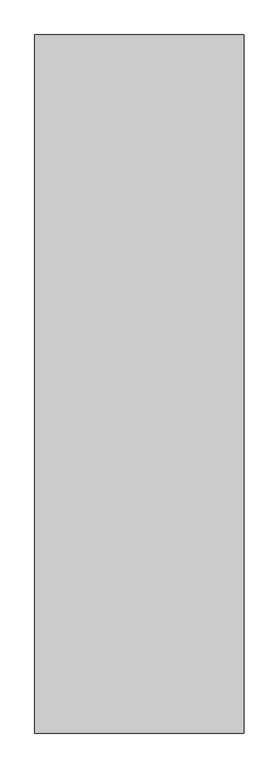
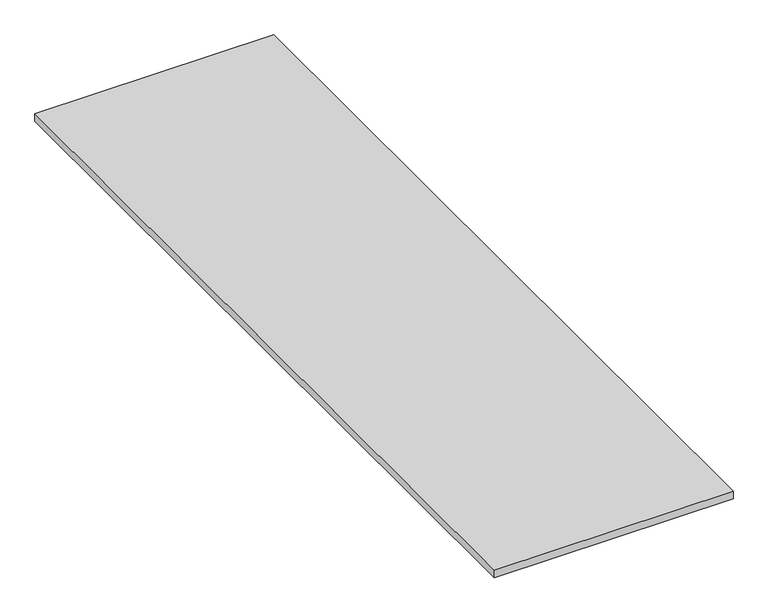
"""IFC4 building model written with IfcOpenShell, lengths in millimetres: proxy geometry."""

from ifc_helpers import new_model, si_unit, origin, origin_with_axes, place, context, project, spatial, polyline, outline, extrude, source, transform, mapped, element, save


def generic_models_3b865ba5(model_context):
    return source(origin(), model_context, "Body", "SweptSolid", [
        extrude(outline(polyline([(11159.4865951, 10547.1625159), (11159.4865951, 8547.1625159), (10559.4865951, 8547.1625159), (10559.4865951, 10547.1625159), (11159.4865951, 10547.1625159)])), origin_with_axes(), (0.0, 0.0, 1.0), 20.0),
    ])


if __name__ == "__main__":
    model = new_model("IFC4")
    model_context = context("Model", 3, world=origin())
    ifc_project = project(units=[si_unit("LENGTHUNIT", "METRE", prefix="MILLI")], contexts=[model_context])
    site = spatial("IfcSite", under=ifc_project)
    building = spatial("IfcBuilding", under=site)
    placement = place(None, origin())
    generic_models_shape = generic_models_3b865ba5(model_context)
    element("IfcBuildingElementProxy", 1, Name="Generic Models", at=placement, inside=building, context=model_context, shape_type="MappedRepresentation", body=[
        mapped(generic_models_shape, transform((0.0, 0.0, 0.0), x_axis=(1.0, 0.0, 0.0), y_axis=(0.0, 1.0, 0.0), z_axis=(0.0, 0.0, 1.0))),
    ])
    save(model, "model.ifc")
